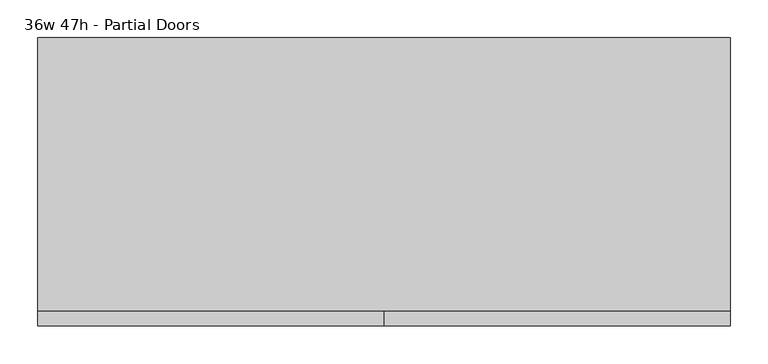
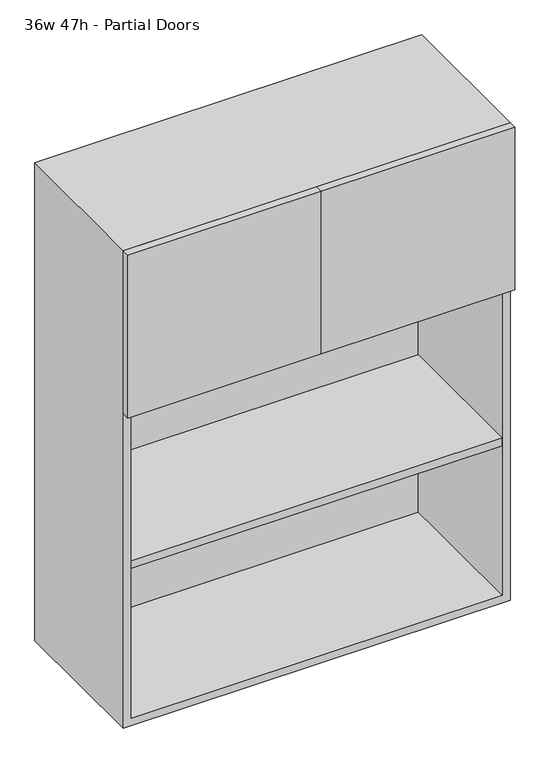
"""IFC4 building model written with IfcOpenShell, lengths in millimetres: furniture geometry, 36w 47h - Partial Doors."""

from ifc_helpers import new_model, si_unit, frame, origin, place, context, project, spatial, polyline, outline, extrude, source, transform, mapped, element, save


def furniture_36w_47h_partial_doors_24607c1f(model_context):
    return source(origin(), model_context, "Body", "SweptSolid", [
        extrude(outline(polyline([(438.1569453, 161.925), (438.1569453, -180.975), (-438.1291641, -180.975), (-438.1291641, 161.925), (438.1569453, 161.925)])), frame((0.0, 0.0, 1524.0), z_axis=(0.0, 0.0, 1.0), x_axis=(1.0, 0.0, 0.0)), (0.0, 0.0, 1.0), 19.05),
        extrude(outline(polyline([(438.1569453, 161.925), (438.1569453, -180.975), (-438.1291641, -180.975), (-438.1291641, 161.925), (438.1569453, 161.925)])), frame((0.0, 0.0, 1130.3), z_axis=(0.0, 0.0, 1.0), x_axis=(1.0, 0.0, 0.0)), (0.0, 0.0, 1.0), 19.05),
        extrude(outline(polyline([(0.0138906, -200.025), (0.0138906, -180.975), (457.2138906, -180.975), (457.2138906, -200.025), (0.0138906, -200.025)])), frame((0.0, 0.0, 1524.0), z_axis=(0.0, 0.0, 1.0), x_axis=(1.0, 0.0, 0.0)), (0.0, 0.0, 1.0), 406.4),
        extrude(outline(polyline([(0.0138906, -200.025), (-457.1861094, -200.025), (-457.1861094, -180.975), (0.0138906, -180.975), (0.0138906, -200.025)])), frame((0.0, 0.0, 1524.0), z_axis=(0.0, 0.0, 1.0), x_axis=(1.0, 0.0, 0.0)), (0.0, 0.0, 1.0), 406.4),
        extrude(outline(polyline([(736.6, -457.1861094), (736.6, 457.2138906), (1930.4, 457.2138906), (1930.4, -457.1861094), (736.6, -457.1861094)]), holes=[polyline([(755.65, -438.1361094), (1911.35, -438.1361094), (1911.35, 438.1569453), (755.65, 438.1569453), (755.65, -438.1361094)])]), frame((0.0, -180.975, 0.0), z_axis=(0.0, 1.0, 0.0), x_axis=(0.0, 0.0, 1.0)), (0.0, 0.0, 1.0), 361.95),
        extrude(outline(polyline([(-438.1291641, 161.925), (-438.1291641, 180.975), (438.1569453, 180.975), (438.1569453, 161.925), (-438.1291641, 161.925)])), frame((0.0, 0.0, 755.65), z_axis=(0.0, 0.0, 1.0), x_axis=(1.0, 0.0, 0.0)), (0.0, 0.0, 1.0), 1155.7),
    ])


if __name__ == "__main__":
    model = new_model("IFC4")
    model_context = context("Model", 3, world=origin())
    ifc_project = project(units=[si_unit("LENGTHUNIT", "METRE", prefix="MILLI")], contexts=[model_context])
    site = spatial("IfcSite", under=ifc_project)
    building = spatial("IfcBuilding", under=site)
    placement = place(None, origin())
    furniture_36w_47h_partial_doors_shape = furniture_36w_47h_partial_doors_24607c1f(model_context)
    element("IfcFurniture", 1, ObjectType="36w 47h - Partial Doors", at=placement, inside=building, context=model_context, shape_type="MappedRepresentation", body=[
        mapped(furniture_36w_47h_partial_doors_shape, transform((0.0, 0.0, 0.0), x_axis=(1.0, 0.0, 0.0), y_axis=(0.0, 1.0, 0.0), z_axis=(0.0, 0.0, 1.0))),
    ])
    save(model, "model.ifc")
